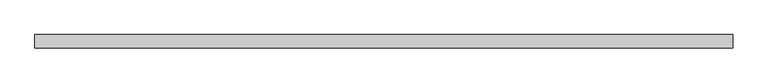
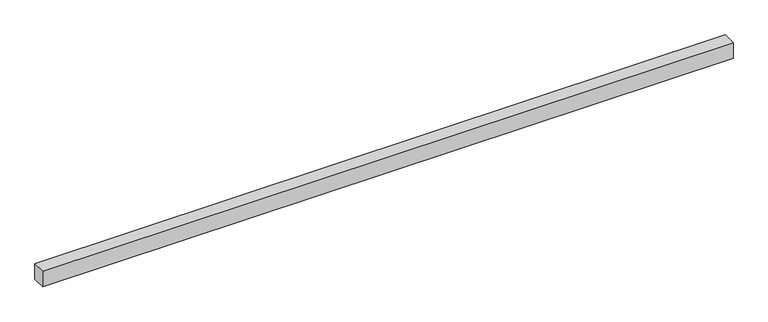
"""IFC4 building model written with IfcOpenShell, lengths in millimetres: proxy geometry."""

from ifc_helpers import new_model, si_unit, origin, origin_with_axes, place, context, project, spatial, polyline, outline, extrude, source, transform, mapped, element, save


def generic_models_295cf06f(model_context):
    return source(origin(), model_context, "Body", "SweptSolid", [
        extrude(outline(polyline([(4156.6105079, -40.0), (0.0, -40.0), (0.0, 40.0), (4156.6105079, 40.0), (4156.6105079, -40.0)])), origin_with_axes(), (0.0, 0.0, 1.0), 100.0),
    ])


if __name__ == "__main__":
    model = new_model("IFC4")
    model_context = context("Model", 3, world=origin())
    ifc_project = project(units=[si_unit("LENGTHUNIT", "METRE", prefix="MILLI")], contexts=[model_context])
    site = spatial("IfcSite", under=ifc_project)
    building = spatial("IfcBuilding", under=site)
    placement = place(None, origin())
    generic_models_shape = generic_models_295cf06f(model_context)
    element("IfcBuildingElementProxy", 1, Name="Generic Models", at=placement, inside=building, context=model_context, shape_type="MappedRepresentation", body=[
        mapped(generic_models_shape, transform((0.0, 0.0, 0.0), x_axis=(1.0, 0.0, 0.0), y_axis=(0.0, 1.0, 0.0), z_axis=(0.0, 0.0, 1.0))),
    ])
    save(model, "model.ifc")
